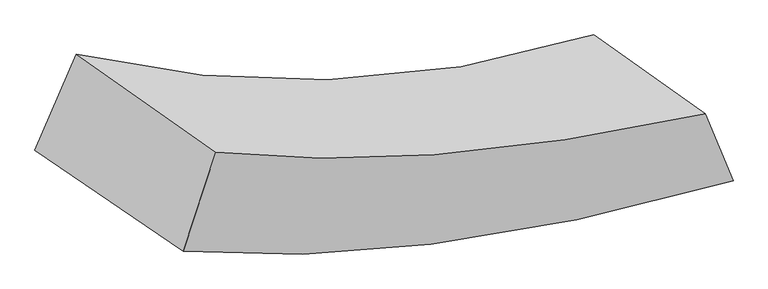
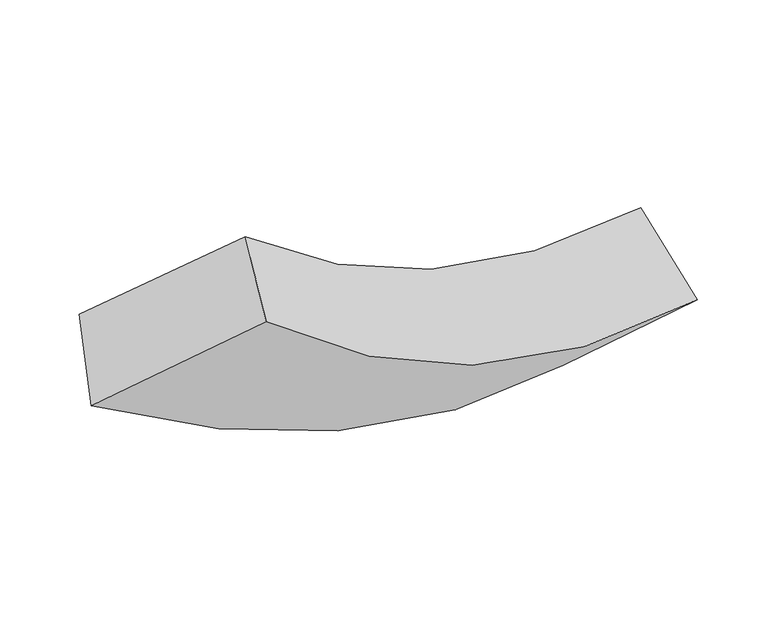
"""IFC4 building model written with IfcOpenShell, lengths in millimetres: proxy geometry."""

from ifc_helpers import new_model, si_unit, frame, origin, place, context, project, spatial, source, transform, mapped, element, save
from ifc_brep_helpers import plane_surface, spline_curve, spline_surface, advanced_brep


def generic_models_775e82d1(model_context):
    return source(origin(), model_context, "Body", "AdvancedBrep", [
        advanced_brep(
        [(10908.5363325, -2556.8675697, 1283.5230084), (11054.6106297, -2931.1709358, 796.5841682), (7814.324043, -3196.3405184, 1812.6222048), (8044.3066551, -2663.2808872, 2042.3554186), (11681.4150693, -3364.3290016, 1294.0761236), (8634.9334082, -3756.2435213, 2444.2297139), (11528.016261, -2992.146069, 1759.3617598), (8817.0728706, -3206.2662256, 2635.9373801)],
        [
            (0, 1),
            (1, 2, spline_curve(3, [(11054.6106297, -2931.1709358, 796.5841682), (10491.782281494, -3125.249071402, 850.93309662), (9931.758275815, -3242.711038048, 967.431127264), (8852.000974127, -3321.860341552, 1313.606179528), (8331.929451081, -3292.78823586, 1535.787494499), (7814.324043, -3196.3405184, 1812.6222048)], [4, 2, 4], [0.0, 5.471313423999094, 10.602085689475864])),
            (2, 3),
            (3, 0, spline_curve(3, [(8044.3066551, -2663.2808872, 2042.3554186), (8510.488628272, -2771.539964115, 1834.845788346), (8974.665331558, -2819.10089856, 1668.519380702), (9929.683579904, -2791.954535926, 1409.926969826), (10420.250102367, -2708.922495592, 1323.309240613), (10908.5363325, -2556.8675697, 1283.5230084)], [4, 2, 4], [0.0, 5.13077226547677, 10.602085689475864])),
            (1, 4),
            (4, 5, spline_curve(3, [(11681.4150693, -3364.3290016, 1294.0761236), (11086.695641923, -3534.10153873, 1321.381531933), (10528.442852565, -3651.052543737, 1436.697920977), (9517.347149985, -3775.319993972, 1830.697318862), (9060.106052449, -3789.00716204, 2098.765460083), (8634.9334082, -3756.2435213, 2444.2297139)], [4, 2, 4], [0.0, 5.752597699815693, 11.14714676790518])),
            (5, 2),
            (4, 6),
            (6, 7, spline_curve(3, [(11528.016261, -2992.146069, 1759.3617598), (10990.139302099, -3109.355995118, 1761.056055029), (10489.181481188, -3185.086573976, 1839.691955777), (9589.98644451, -3251.457199957, 2141.163637025), (9187.296468445, -3247.100006496, 2354.719609552), (8817.0728706, -3206.2662256, 2635.9373801)], [4, 2, 4], [0.0, 5.29723402261737, 10.264761798995337])),
            (7, 5),
            (6, 0),
            (3, 7),
        ],
        [
            spline_surface(3, 3, [[(10908.5363325, -2556.8675697, 1283.5230084), (10420.250102365, -2708.922495596, 1323.309240673), (9929.683579882, -2791.954535901, 1409.926969816), (8974.665331579, -2819.100898583, 1668.519380712), (8510.48862823, -2771.539964115, 1834.84578834), (8044.3066551, -2663.2808872, 2042.3554186)], [(10957.227764925, -2681.635358401, 1121.210061643), (10444.09416209, -2847.698020849, 1165.850525953), (9930.375145166, -2942.206703264, 1262.428355598), (8933.777212453, -2986.687379584, 1550.214980315), (8450.968902501, -2945.28938802, 1735.159690389), (7967.645784387, -2840.967430939, 1965.777680685)], [(11005.919197275, -2806.403147099, 958.897114957), (10467.938221741, -2986.473546098, 1008.391811303), (9931.06671045, -3092.458870637, 1114.929741433), (8892.889093329, -3154.273860596, 1431.910579971), (8391.44917681, -3119.038811906, 1635.473592384), (7890.984913713, -3018.653974661, 1889.199942715)], [(11054.6106297, -2931.1709358, 796.5841682), (10491.782281466, -3125.249071351, 850.933096583), (9931.758275733, -3242.711038, 967.431127215), (8852.000974204, -3321.860341597, 1313.606179574), (8331.92945108, -3292.78823581, 1535.787494432), (7814.324043, -3196.3405184, 1812.6222048)]], [4, 4], [4, 2, 4], [0.0, 2.0489750316017514], [0.0, 5.471313423999094, 10.602085689475864]),
            spline_surface(3, 3, [[(11054.6106297, -2931.1709358, 796.5841682), (10491.782281466, -3125.249071351, 850.933096583), (9931.758275733, -3242.711038, 967.431127215), (8852.000974204, -3321.860341597, 1313.606179574), (8331.92945108, -3292.78823581, 1535.787494432), (7814.324043, -3196.3405184, 1812.6222048)], [(11263.545442895, -3075.556957735, 962.414820015), (10690.08673493, -3261.533227135, 1007.749241737), (10130.653134642, -3378.824873267, 1123.853391815), (9073.783032817, -3473.013559069, 1485.969892701), (8574.654984874, -3458.19454459, 1723.446816298), (8087.860498069, -3382.974852707, 2023.158041173)], [(11472.480256105, -3219.942979665, 1128.245471785), (10888.391188412, -3397.817382915, 1164.565386844), (10329.547993572, -3514.938708481, 1280.275656349), (9295.565091451, -3624.166776489, 1658.333605762), (8817.380518662, -3623.600853347, 1911.106138146), (8361.396953131, -3569.609186993, 2233.693877527)], [(11681.4150693, -3364.3290016, 1294.0761236), (11086.695641877, -3534.101538699, 1321.381531997), (10528.442852481, -3651.052543749, 1436.697920949), (9517.347150064, -3775.319993961, 1830.697318889), (9060.106052456, -3789.007162127, 2098.765460012), (8634.9334082, -3756.2435213, 2444.2297139)]], [4, 4], [4, 2, 4], [0.0, 2.9741847945219932], [0.0, 5.752597699815693, 11.14714676790518]),
            spline_surface(3, 3, [[(11681.4150693, -3364.3290016, 1294.0761236), (11086.695641877, -3534.101538699, 1321.381531997), (10528.442852481, -3651.052543749, 1436.697920949), (9517.347150064, -3775.319993961, 1830.697318889), (9060.106052456, -3789.007162127, 2098.765460012), (8634.9334082, -3756.2435213, 2444.2297139)], [(11630.282133183, -3240.268024074, 1449.171335675), (11054.51019525, -3392.51969082, 1467.939706325), (10515.355728754, -3495.730553841, 1571.029265905), (9541.560248206, -3600.69906259, 1934.186091573), (9102.502857784, -3608.371443544, 2184.083509841), (8695.646562339, -3572.917756051, 2508.132269291)], [(11579.149197117, -3116.207046526, 1604.266547725), (11022.324748675, -3250.937842919, 1614.49788063), (10502.268604983, -3340.408563965, 1705.360610885), (9565.773346304, -3426.078131251, 2037.674864281), (9144.899663094, -3427.735725008, 2269.401559696), (8756.359716461, -3389.591990849, 2572.034824709)], [(11528.016261, -2992.146069, 1759.3617598), (10990.139302049, -3109.35599504, 1761.056054958), (10489.181481256, -3185.086574057, 1839.691955841), (9589.986444446, -3251.45719988, 2141.163636966), (9187.296468422, -3247.100006424, 2354.719609525), (8817.0728706, -3206.2662256, 2635.9373801)]], [4, 4], [4, 2, 4], [0.0, 2.0026685755231237], [0.0, 5.29723402261737, 10.264761798995337]),
            spline_surface(3, 3, [[(11528.016261, -2992.146069, 1759.3617598), (10990.139302049, -3109.35599504, 1761.056054958), (10489.181481256, -3185.086574057, 1839.691955841), (9589.986444446, -3251.45719988, 2141.163636966), (9187.296468422, -3247.100006424, 2354.719609525), (8817.0728706, -3206.2662256, 2635.9373801)], [(11321.522951498, -2847.05323589, 1600.748842666), (10800.176235485, -2975.878161882, 1615.140450196), (10302.682180791, -3054.042561335, 1696.436960502), (9384.879406817, -3107.338432778, 1983.615551551), (8961.69385503, -3088.579992323, 2181.428335781), (8559.484132105, -3025.271112802, 2438.076726252)], [(11115.029642002, -2701.96040281, 1442.135925534), (10610.213168929, -2842.400328754, 1469.224845435), (10116.182880347, -2922.998548624, 1553.181965154), (9179.772369208, -2963.219665685, 1826.067466126), (8736.091241622, -2930.059978216, 2008.137062083), (8301.895393595, -2844.275999998, 2240.216072448)], [(10908.5363325, -2556.8675697, 1283.5230084), (10420.250102365, -2708.922495596, 1323.309240673), (9929.683579882, -2791.954535901, 1409.926969816), (8974.665331579, -2819.100898583, 1668.519380712), (8510.48862823, -2771.539964115, 1834.84578834), (8044.3066551, -2663.2808872, 2042.3554186)]], [4, 4], [4, 2, 4], [0.0, 1.0], [0.0, 0.5160601021580292, 1.0]),
            plane_surface(frame((8327.6592442, -3205.5327881, 2233.7861794), z_axis=(-0.6338140944373001, -0.0589289008276582, 0.7712373683502827), x_axis=(0.2984683320820153, 0.9012369091544116, 0.31414755819834567))),
            plane_surface(frame((11293.1445731, -2961.128394, 1283.386265), z_axis=(0.6914566627084584, 0.6579433588475677, -0.29832569474395276), x_axis=(0.6927532196753152, -0.4867640870823649, 0.532121884680903))),
        ],
        [
            (0, [[1, 2, 3, 4]]),
            (1, [[5, 6, 7, -2]]),
            (2, [[8, 9, 10, -6]]),
            (3, [[11, -4, 12, -9]]),
            (4, [[-10, -12, -3, -7]]),
            (5, [[-11, -8, -5, -1]]),
        ],
    ),
    ])


if __name__ == "__main__":
    model = new_model("IFC4")
    model_context = context("Model", 3, world=origin())
    ifc_project = project(units=[si_unit("LENGTHUNIT", "METRE", prefix="MILLI")], contexts=[model_context])
    site = spatial("IfcSite", under=ifc_project)
    building = spatial("IfcBuilding", under=site)
    placement = place(None, origin())
    generic_models_shape = generic_models_775e82d1(model_context)
    element("IfcBuildingElementProxy", 1, Name="Generic Models", at=placement, inside=building, context=model_context, shape_type="MappedRepresentation", body=[
        mapped(generic_models_shape, transform((0.0, 0.0, 0.0), x_axis=(1.0, 0.0, 0.0), y_axis=(0.0, 1.0, 0.0), z_axis=(0.0, 0.0, 1.0))),
    ])
    save(model, "model.ifc")
